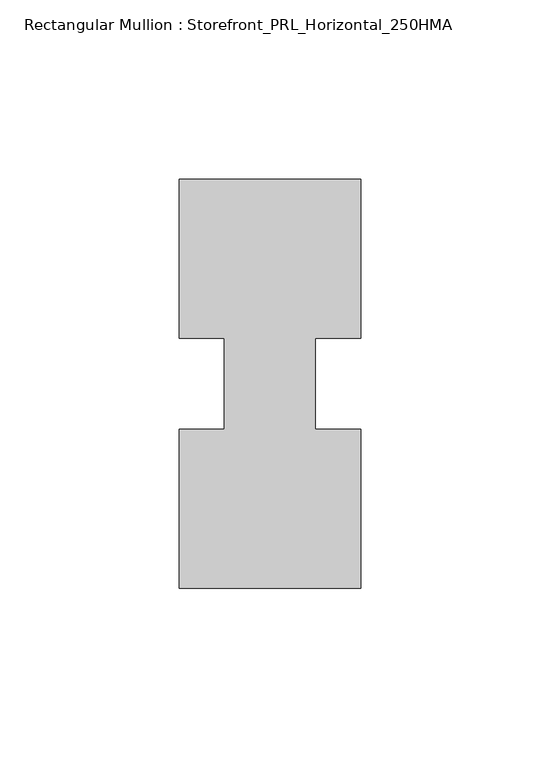
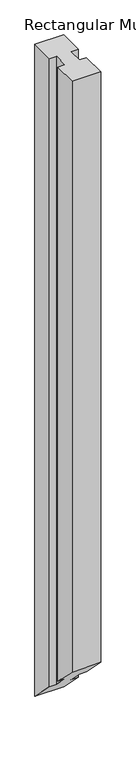
"""IFC4 building model written with IfcOpenShell, lengths in millimetres: member geometry, Rectangular Mullion : Storefront_PRL_Horizontal_250HMA."""

from ifc_helpers import new_model, si_unit, origin, place, context, project, spatial, faceted_brep, source, transform, mapped, element, save


def rectangular_mullion_storefront_prl_horizontal_250hma_48fea463(model_context):
    return source(origin(), model_context, "Body", "Brep", [
        faceted_brep([(-12.7, -12.7, 0.0), (-25.4, -12.7, 0.0), (-25.4, -57.15, 0.0), (25.4, -57.15, 0.0), (25.4, -12.7, 0.0), (12.7, -12.7, 0.0), (12.7, 12.7, 0.0), (25.4, 12.7, 0.0), (25.4, 57.15, 0.0), (-25.4, 57.15, 0.0), (-25.4, 12.7, 0.0), (-12.7, 12.7, 0.0), (-12.7, -12.7, -1149.35), (-25.4, -12.7, -1149.35), (-25.4, -57.15, -1104.9), (25.4, -57.15, -1104.9), (25.4, -12.7, -1149.35), (12.7, -12.7, -1149.35), (12.7, 12.7, -1174.75), (25.4, 12.7, -1174.75), (25.4, 57.15, -1219.2), (-25.4, 57.15, -1219.2), (-25.4, 12.7, -1174.75), (-12.7, 12.7, -1174.75)], [[[0, 1, 2, 3, 4, 5, 6, 7, 8, 9, 10, 11]], [[1, 0, 12, 13]], [[2, 1, 13, 14]], [[3, 2, 14, 15]], [[4, 3, 15, 16]], [[5, 4, 16, 17]], [[6, 5, 17, 18]], [[7, 6, 18, 19]], [[8, 7, 19, 20]], [[9, 8, 20, 21]], [[10, 9, 21, 22]], [[11, 10, 22, 23]], [[0, 11, 23, 12]], [[12, 23, 22, 21, 20, 19, 18, 17, 16, 15, 14, 13]]]),
    ])


if __name__ == "__main__":
    model = new_model("IFC4")
    model_context = context("Model", 3, world=origin())
    ifc_project = project(units=[si_unit("LENGTHUNIT", "METRE", prefix="MILLI")], contexts=[model_context])
    site = spatial("IfcSite", under=ifc_project)
    building = spatial("IfcBuilding", under=site)
    placement = place(None, origin())
    rectangular_mullion_storefront_prl_horizontal_250hma_shape = rectangular_mullion_storefront_prl_horizontal_250hma_48fea463(model_context)
    element("IfcMember", 1, ObjectType="Rectangular Mullion : Storefront_PRL_Horizontal_250HMA", at=placement, inside=building, context=model_context, shape_type="MappedRepresentation", body=[
        mapped(rectangular_mullion_storefront_prl_horizontal_250hma_shape, transform((0.0, 0.0, 0.0), x_axis=(1.0, 0.0, 0.0), y_axis=(0.0, 1.0, 0.0), z_axis=(0.0, 0.0, 1.0))),
    ])
    save(model, "model.ifc")
